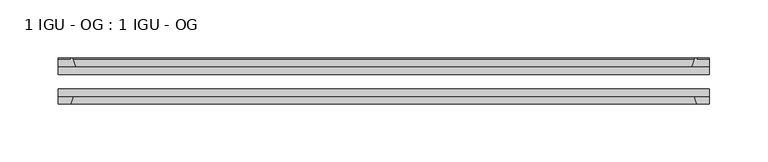
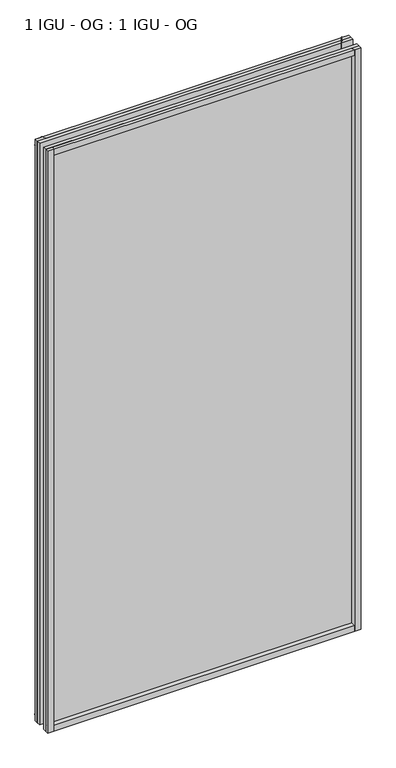
"""IFC4 building model written with IfcOpenShell, lengths in millimetres: plate geometry, 1 IGU - OG : 1 IGU - OG."""

from ifc_helpers import new_model, si_unit, point, frame, frame_2d, origin, place, context, project, spatial, polyline, circle_curve, trimmed, segment, composite_curve, outline, extrude, source, transform, mapped, element, save


def plate_1_igu_og_1_igu_og_2cabff8e(model_context):
    return source(origin(), model_context, "Body", "SweptSolid", [
        extrude(outline(polyline([(280.9875, -31.75), (280.9875, -38.1), (-280.9875, -38.1), (-280.9875, -31.75), (280.9875, -31.75)])), frame((0.0, 0.0, -11.1125), z_axis=(0.0, 0.0, 1.0), x_axis=(1.0, 0.0, 0.0)), (0.0, 0.0, 1.0), 1101.7245636),
        extrude(outline(polyline([(-280.9875, -12.7), (280.9875, -12.7), (280.9875, -19.05), (-280.9875, -19.05), (-280.9875, -12.7)])), frame((0.0, 0.0, -11.1125), z_axis=(0.0, 0.0, 1.0), x_axis=(1.0, 0.0, 0.0)), (0.0, 0.0, 1.0), 1101.7245636),
        extrude(outline(composite_curve([segment(polyline([(-265.6517091, -12.7), (-280.9875, -12.7), (-280.9875, -6.35), (-269.875, -6.35), (-269.875, -4.7751661), (-268.945586, -4.7751661)]), True, "CONTINUOUS"), segment(trimmed(circle_curve(frame_2d((-268.945586, -5.5371661)), 0.762), [point((-268.945586, -4.7751661))], [point((-268.2033761, -5.364631))], False, "CARTESIAN"), True, "CONTINUOUS"), segment(trimmed(circle_curve(frame_2d((-232.5741579, 2.9177851)), 36.5792237), [point((-268.2033761, -5.364631))], [point((-265.6517091, -12.7))], True, "CARTESIAN"), True, "CONTINUOUS")], self_intersect=False)), frame((0.0, 0.0, -11.1125), z_axis=(0.0, 0.0, 1.0), x_axis=(1.0, 0.0, 0.0)), (0.0, 0.0, 1.0), 1101.7245636),
        extrude(outline(polyline([(-280.9875, -38.1), (-267.7697229, -38.1), (-269.875, -44.45), (-280.9875, -44.45), (-280.9875, -38.1)])), frame((0.0, 0.0, -11.1125), z_axis=(0.0, 0.0, 1.0), x_axis=(1.0, 0.0, 0.0)), (0.0, 0.0, 1.0), 1101.7245636),
        extrude(outline(composite_curve([segment(trimmed(circle_curve(frame_2d((268.945586, -5.5371661)), 0.762), [point((268.2033761, -5.364631))], [point((268.945586, -4.7751661))], False, "CARTESIAN"), True, "CONTINUOUS"), segment(polyline([(268.945586, -4.7751661), (269.875, -4.7751661), (269.875, -6.35), (280.9875, -6.35), (280.9875, -12.7), (265.6517091, -12.7)]), True, "CONTINUOUS"), segment(trimmed(circle_curve(frame_2d((232.5741579, 2.9177851)), 36.5792237), [point((265.6517091, -12.7))], [point((268.2033761, -5.364631))], True, "CARTESIAN"), True, "CONTINUOUS")], self_intersect=False)), frame((0.0, 0.0, -11.1125), z_axis=(0.0, 0.0, 1.0), x_axis=(1.0, 0.0, 0.0)), (0.0, 0.0, 1.0), 1101.7245636),
        extrude(outline(polyline([(267.7697229, -38.1), (280.9875, -38.1), (280.9875, -44.45), (269.875, -44.45), (267.7697229, -38.1)])), frame((0.0, 0.0, -11.1125), z_axis=(0.0, 0.0, 1.0), x_axis=(1.0, 0.0, 0.0)), (0.0, 0.0, 1.0), 1101.7245636),
        extrude(outline(composite_curve([segment(polyline([(-12.7, -11.1125), (-12.7, 4.2232909)]), True, "CONTINUOUS"), segment(trimmed(circle_curve(frame_2d((2.9177851, 37.3008421)), 36.5792237), [point((-12.7, 4.2232909))], [point((-5.364631, 1.6716239))], True, "CARTESIAN"), True, "CONTINUOUS"), segment(trimmed(circle_curve(frame_2d((-5.5371661, 0.929414)), 0.762), [point((-5.364631, 1.6716239))], [point((-4.7751661, 0.929414))], False, "CARTESIAN"), True, "CONTINUOUS"), segment(polyline([(-4.7751661, 0.929414), (-4.7751661, 0.0), (-6.35, 0.0), (-6.35, -11.1125), (-12.7, -11.1125)]), True, "CONTINUOUS")], self_intersect=False)), frame((-280.9875, 0.0, 0.0), z_axis=(1.0, 0.0, 0.0), x_axis=(0.0, 1.0, 0.0)), (0.0, 0.0, 1.0), 561.975),
        extrude(outline(polyline([(-38.1, 2.1052771), (-38.1, -11.1125), (-44.45, -11.1125), (-44.45, 0.0), (-38.1, 2.1052771)])), frame((-280.9875, 0.0, 0.0), z_axis=(1.0, 0.0, 0.0), x_axis=(0.0, 1.0, 0.0)), (0.0, 0.0, 1.0), 561.975),
        extrude(outline(composite_curve([segment(trimmed(circle_curve(frame_2d((2.9177851, 1042.1987214)), 36.5792237), [point((-5.364631, 1077.8279397))], [point((-12.7, 1075.2762727))], True, "CARTESIAN"), True, "CONTINUOUS"), segment(polyline([(-12.7, 1075.2762727), (-12.7, 1090.6120636), (-6.35, 1090.6120636), (-6.35, 1079.4995636), (-4.7751661, 1079.4995636), (-4.7751661, 1078.5701496)]), True, "CONTINUOUS"), segment(trimmed(circle_curve(frame_2d((-5.5371661, 1078.5701496)), 0.762), [point((-4.7751661, 1078.5701496))], [point((-5.364631, 1077.8279397))], False, "CARTESIAN"), True, "CONTINUOUS")], self_intersect=False)), frame((-280.9875, 0.0, 0.0), z_axis=(1.0, 0.0, 0.0), x_axis=(0.0, 1.0, 0.0)), (0.0, 0.0, 1.0), 561.975),
        extrude(outline(polyline([(-38.1, 1090.6120636), (-38.1, 1077.3942865), (-44.45, 1079.4995636), (-44.45, 1090.6120636), (-38.1, 1090.6120636)])), frame((-280.9875, 0.0, 0.0), z_axis=(1.0, 0.0, 0.0), x_axis=(0.0, 1.0, 0.0)), (0.0, 0.0, 1.0), 561.975),
    ])


if __name__ == "__main__":
    model = new_model("IFC4")
    model_context = context("Model", 3, world=origin())
    ifc_project = project(units=[si_unit("LENGTHUNIT", "METRE", prefix="MILLI")], contexts=[model_context])
    site = spatial("IfcSite", under=ifc_project)
    building = spatial("IfcBuilding", under=site)
    placement = place(None, origin())
    plate_1_igu_og_1_igu_og_shape = plate_1_igu_og_1_igu_og_2cabff8e(model_context)
    element("IfcPlate", 1, ObjectType="1 IGU - OG : 1 IGU - OG", at=placement, inside=building, context=model_context, shape_type="MappedRepresentation", body=[
        mapped(plate_1_igu_og_1_igu_og_shape, transform((0.0, 0.0, 0.0), x_axis=(1.0, 0.0, 0.0), y_axis=(0.0, 1.0, 0.0), z_axis=(0.0, 0.0, 1.0))),
    ])
    save(model, "model.ifc")
